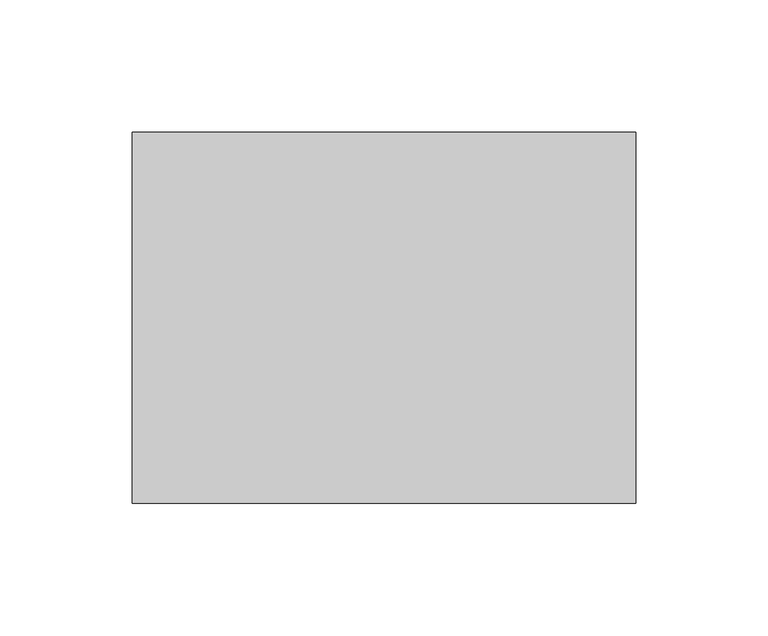
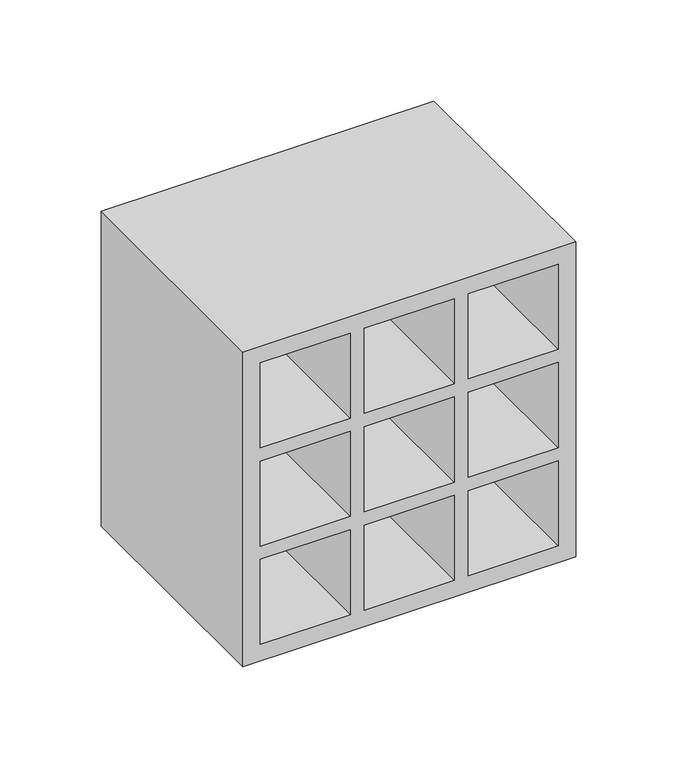
"""IFC4 building model written with IfcOpenShell, lengths in millimetres: proxy geometry."""

from ifc_helpers import new_model, si_unit, frame, origin, place, context, project, spatial, polyline, outline, extrude, source, transform, mapped, element, save


def generic_models_8fc2da3f(model_context):
    return source(origin(), model_context, "Body", "SweptSolid", [
        extrude(outline(polyline([(0.0, 190.0), (190.0, 190.0), (190.0, 0.0), (0.0, 0.0), (0.0, 190.0)]), holes=[polyline([(10.0, 128.7), (61.3, 128.7), (61.3, 180.0), (10.0, 180.0), (10.0, 128.7)]), polyline([(10.0, 61.3), (10.0, 10.0), (61.3, 10.0), (61.3, 61.3), (10.0, 61.3)]), polyline([(180.0, 128.7), (180.0, 180.0), (128.7, 180.0), (128.7, 128.7), (180.0, 128.7)]), polyline([(180.0, 61.3), (128.7, 61.3), (128.7, 10.0), (180.0, 10.0), (180.0, 61.3)]), polyline([(61.3, 120.7), (10.0, 120.7), (10.0, 69.3), (61.3, 69.3), (61.3, 120.7)]), polyline([(128.7, 120.7), (128.7, 69.3), (180.0, 69.3), (180.0, 120.7), (128.7, 120.7)]), polyline([(120.7, 128.7), (120.7, 180.0), (69.3, 180.0), (69.3, 128.7), (120.7, 128.7)]), polyline([(120.7, 69.3), (120.7, 120.6), (69.3, 120.6), (69.3, 69.3), (120.7, 69.3)]), polyline([(120.7, 10.0), (120.7, 61.3), (69.3, 61.3), (69.3, 10.0), (120.7, 10.0)])]), frame((0.0, 0.0, 0.0), z_axis=(0.0, 1.0, 0.0), x_axis=(0.0, 0.0, 1.0)), (0.0, 0.0, 1.0), 140.0),
    ])


if __name__ == "__main__":
    model = new_model("IFC4")
    model_context = context("Model", 3, world=origin())
    ifc_project = project(units=[si_unit("LENGTHUNIT", "METRE", prefix="MILLI")], contexts=[model_context])
    site = spatial("IfcSite", under=ifc_project)
    building = spatial("IfcBuilding", under=site)
    placement = place(None, origin())
    generic_models_shape = generic_models_8fc2da3f(model_context)
    element("IfcBuildingElementProxy", 1, Name="Generic Models", at=placement, inside=building, context=model_context, shape_type="MappedRepresentation", body=[
        mapped(generic_models_shape, transform((0.0, 0.0, 0.0), x_axis=(1.0, 0.0, 0.0), y_axis=(0.0, 1.0, 0.0), z_axis=(0.0, 0.0, 1.0))),
    ])
    save(model, "model.ifc")
